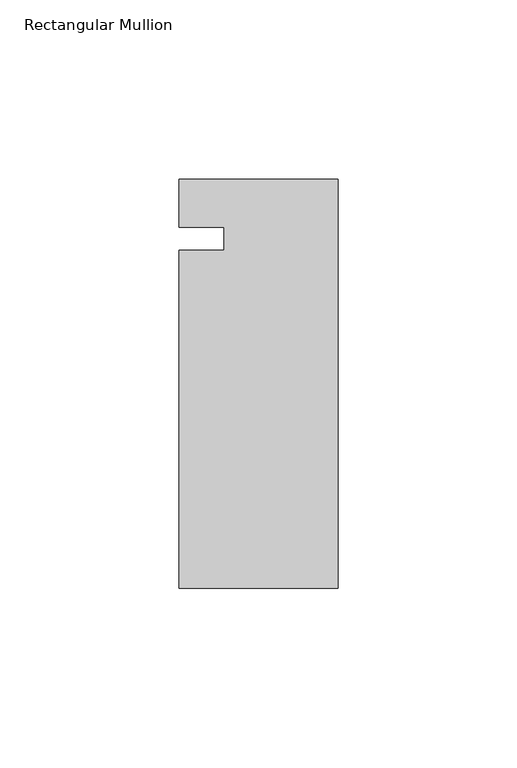
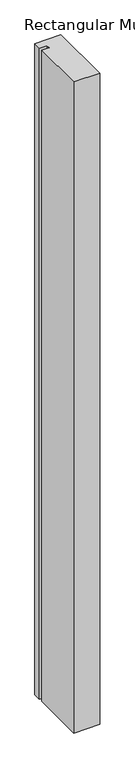
"""IFC4 building model written with IfcOpenShell, lengths in millimetres: member geometry, Rectangular Mullion."""

from ifc_helpers import new_model, si_unit, frame, origin, place, context, project, spatial, polyline, outline, extrude, source, transform, mapped, element, save


def rectangular_mullion_8598607b(model_context):
    return source(origin(), model_context, "Body", "SweptSolid", [
        extrude(outline(polyline([(-44.45, 16.66875), (0.0, 16.66875), (0.0, -97.63125), (-44.45, -97.63125), (-44.45, -3.175), (-31.7482296, -3.175), (-31.7482296, 3.175), (-44.45, 3.175), (-44.45, 16.66875)])), frame((0.0, 0.0, -1174.75), z_axis=(0.0, 0.0, 1.0), x_axis=(1.0, 0.0, 0.0)), (0.0, 0.0, 1.0), 1174.75),
    ])


if __name__ == "__main__":
    model = new_model("IFC4")
    model_context = context("Model", 3, world=origin())
    ifc_project = project(units=[si_unit("LENGTHUNIT", "METRE", prefix="MILLI")], contexts=[model_context])
    site = spatial("IfcSite", under=ifc_project)
    building = spatial("IfcBuilding", under=site)
    placement = place(None, origin())
    rectangular_mullion_shape = rectangular_mullion_8598607b(model_context)
    element("IfcMember", 1, ObjectType="Rectangular Mullion", at=placement, inside=building, context=model_context, shape_type="MappedRepresentation", body=[
        mapped(rectangular_mullion_shape, transform((0.0, 0.0, 0.0), x_axis=(1.0, 0.0, 0.0), y_axis=(0.0, 1.0, 0.0), z_axis=(0.0, 0.0, 1.0))),
    ])
    save(model, "model.ifc")
